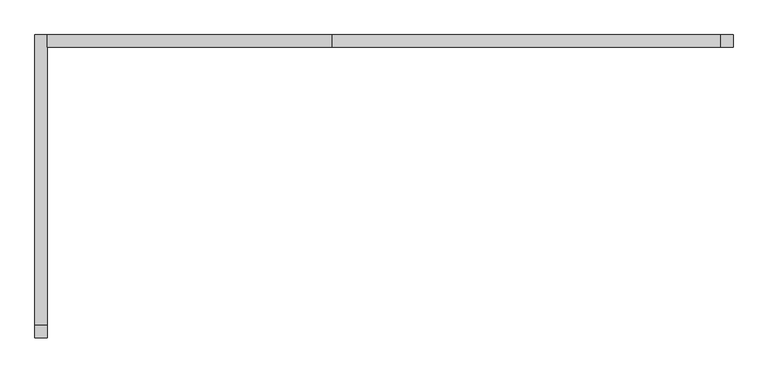
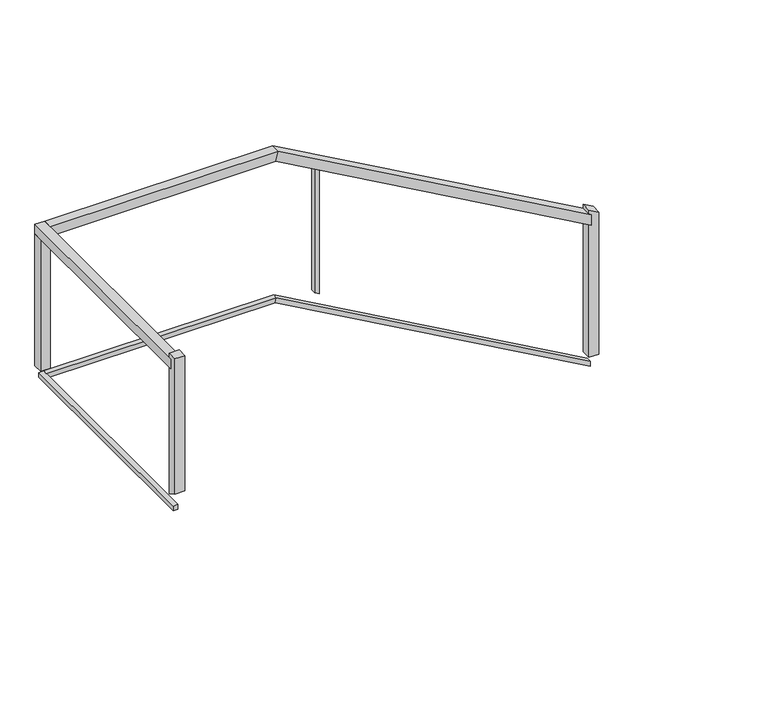
"""IFC4 building model written with IfcOpenShell, lengths in millimetres: railing geometry."""

from ifc_helpers import new_model, si_unit, frame, origin, place, context, project, spatial, polyline, outline, extrude, faceted_brep, source, transform, mapped, element, save


def railing_9fbb3d82(model_context):
    return source(origin(), model_context, "Body", "SolidModel", [
        faceted_brep([(-18278.6629276, 122269.0501734, 1348.360957), (-18278.6629276, 122218.2501734, 1348.360957), (-18278.6629276, 122218.2501734, 1290.039043), (-18278.6629276, 122269.0501734, 1290.039043), (-19903.9942164, 122269.0501734, 2265.0), (-19903.9942164, 122218.2501734, 2265.0), (-19917.3316388, 122218.2501734, 2214.2), (-19917.3316388, 122269.0501734, 2214.2), (-21088.402851, 122269.0501734, 2265.0), (-21088.402851, 122269.0501734, 2214.2), (-21088.402851, 122218.2501734, 2214.2), (-21088.402851, 122218.2501734, 2265.0)], [[[0, 1, 2, 3]], [[1, 0, 4, 5]], [[2, 1, 5, 6]], [[3, 2, 6, 7]], [[0, 3, 7, 4]], [[8, 9, 10, 11]], [[5, 4, 8, 11]], [[6, 5, 11, 10]], [[7, 6, 10, 9]], [[4, 7, 9, 8]]]),
        faceted_brep([(-21139.202851, 122269.0501734, 2265.0), (-21088.402851, 122269.0501734, 2265.0), (-21088.402851, 122269.0501734, 2214.2), (-21139.202851, 122269.0501734, 2214.2), (-21139.202851, 121048.0306038, 2265.0), (-21139.202851, 121048.0306038, 2214.2), (-21088.402851, 121048.0306038, 2214.2), (-21088.402851, 121048.0306038, 2265.0)], [[[0, 1, 2, 3]], [[4, 5, 6, 7]], [[1, 0, 4, 7]], [[2, 1, 7, 6]], [[3, 2, 6, 5]], [[0, 3, 5, 4]]]),
        faceted_brep([(-18278.6629276, 122256.3501734, 536.1804785), (-18278.6629276, 122230.9501734, 536.1804785), (-18278.6629276, 122230.9501734, 507.0195215), (-18278.6629276, 122256.3501734, 507.0195215), (-19907.328572, 122256.3501734, 1454.7), (-19907.328572, 122230.9501734, 1454.7), (-19913.9972832, 122230.9501734, 1429.3), (-19913.9972832, 122256.3501734, 1429.3), (-21101.102851, 122256.3501734, 1454.7), (-21101.102851, 122256.3501734, 1429.3), (-21101.102851, 122230.9501734, 1429.3), (-21101.102851, 122230.9501734, 1454.7)], [[[0, 1, 2, 3]], [[1, 0, 4, 5]], [[2, 1, 5, 6]], [[3, 2, 6, 7]], [[0, 3, 7, 4]], [[8, 9, 10, 11]], [[5, 4, 8, 11]], [[6, 5, 11, 10]], [[7, 6, 10, 9]], [[4, 7, 9, 8]]]),
        faceted_brep([(-21126.502851, 122256.3501734, 1454.7), (-21101.102851, 122256.3501734, 1454.7), (-21101.102851, 122256.3501734, 1429.3), (-21126.502851, 122256.3501734, 1429.3), (-21126.502851, 121048.0306038, 1454.7), (-21126.502851, 121048.0306038, 1429.3), (-21101.102851, 121048.0306038, 1429.3), (-21101.102851, 121048.0306038, 1454.7)], [[[0, 1, 2, 3]], [[4, 5, 6, 7]], [[1, 0, 4, 7]], [[2, 1, 7, 6]], [[3, 2, 6, 5]], [[0, 3, 5, 4]]]),
        extrude(outline(polyline([(2124.2053387, -19683.5328893), (2138.5301916, -19708.9328893), (1412.7737102, -19708.9328893), (1398.4488573, -19683.5328893), (2124.2053387, -19683.5328893)])), frame((0.0, 122230.9501734, 0.0), z_axis=(0.0, 1.0, 0.0), x_axis=(0.0, 0.0, 1.0)), (0.0, 0.0, 1.0), 25.4),
        extrude(outline(polyline([(-21088.402851, 122218.2501734), (-21139.202851, 122218.2501734), (-21139.202851, 122269.0501734), (-21088.402851, 122269.0501734), (-21088.402851, 122218.2501734)])), frame((0.0, 0.0, 1489.6), z_axis=(0.0, 0.0, 1.0), x_axis=(1.0, 0.0, 0.0)), (0.0, 0.0, 1.0), 724.6),
        extrude(outline(polyline([(121060.7306038, 2290.5), (121060.7306038, 1519.3810921), (121009.9306038, 1548.030798), (121009.9306038, 2290.5), (121060.7306038, 2290.5)])), frame((-21139.202851, 0.0, 0.0), z_axis=(1.0, 0.0, 0.0), x_axis=(0.0, 1.0, 0.0)), (0.0, 0.0, 1.0), 50.8),
        extrude(outline(polyline([(1348.6127206, -18240.5629276), (1377.2624265, -18291.3629276), (569.2, -18291.3629276), (569.2, -18240.5629276), (1348.6127206, -18240.5629276)])), frame((0.0, 122218.2501734, 0.0), z_axis=(0.0, 1.0, 0.0), x_axis=(0.0, 0.0, 1.0)), (0.0, 0.0, 1.0), 50.8),
    ])


if __name__ == "__main__":
    model = new_model("IFC4")
    model_context = context("Model", 3, world=origin())
    ifc_project = project(units=[si_unit("LENGTHUNIT", "METRE", prefix="MILLI")], contexts=[model_context])
    site = spatial("IfcSite", under=ifc_project)
    building = spatial("IfcBuilding", under=site)
    placement = place(None, origin())
    railing_shape = railing_9fbb3d82(model_context)
    element("IfcRailing", 1, at=placement, inside=building, context=model_context, shape_type="MappedRepresentation", body=[
        mapped(railing_shape, transform((0.0, 0.0, 0.0), x_axis=(1.0, 0.0, 0.0), y_axis=(0.0, 1.0, 0.0), z_axis=(0.0, 0.0, 1.0))),
    ])
    save(model, "model.ifc")
